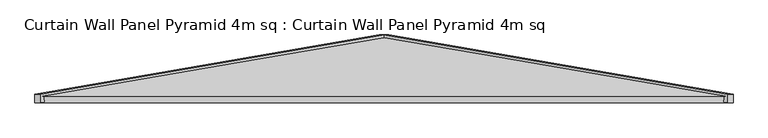
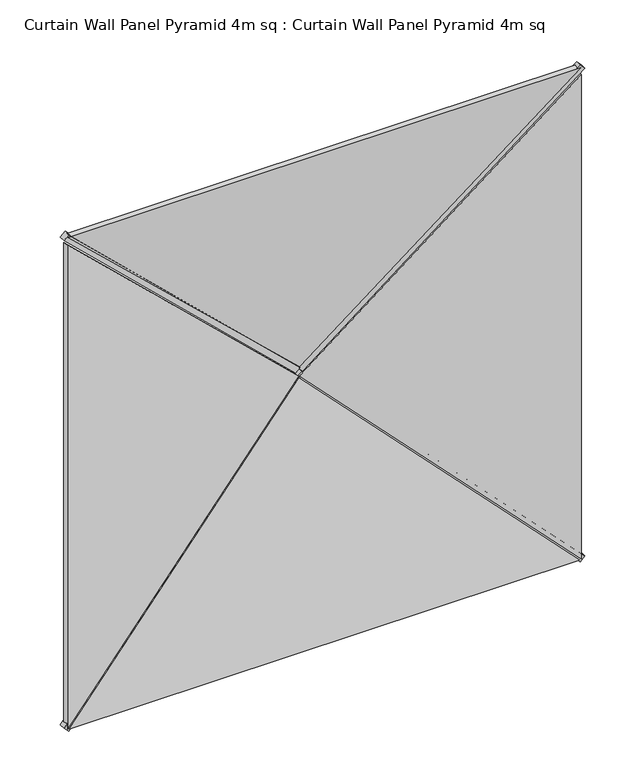
"""IFC4 building model written with IfcOpenShell, lengths in millimetres: plate geometry, Curtain Wall Panel Pyramid 4m sq : Curtain Wall Panel Pyramid 4m sq."""

from ifc_helpers import new_model, si_unit, frame, origin, place, context, project, spatial, polyline, outline, extrude, source, transform, mapped, element, save


def curtain_wall_panel_pyramid_4m_sq_curtain_wall_panel_pyramid_492a6223(model_context):
    return source(origin(), model_context, "Body", "SweptSolid", [
        extrude(outline(polyline([(-25.0, 0.0), (25.0, 0.0), (-319.5008531, -2828.2124727), (-369.5008531, -2828.2124727), (-25.0, 0.0)])), frame((1992.3223305, 25.0, -17.6776695), z_axis=(0.7071067811865489, 0.0, 0.7071067811865462), x_axis=(0.0, -1.0, 0.0)), (0.0, 0.0, 1.0), 50.0),
        extrude(outline(polyline([(-25.0, 0.0), (25.0, 0.0), (369.5008531, -2828.2124727), (319.5008531, -2828.2124727), (-25.0, 0.0)])), frame((-1992.3223305, 25.0, -17.6776695), z_axis=(-0.7071067811865475, 0.0, 0.7071067811865476), x_axis=(0.0, 1.0, 0.0)), (0.0, 0.0, 1.0), 50.0),
        extrude(outline(polyline([(-25.0, 0.0), (25.0, 0.0), (369.5008531, -2828.2124727), (319.5008531, -2828.2124727), (-25.0, 0.0)])), frame((-2027.6776695, 25.0, 4032.3223305), z_axis=(0.7071067811865488, 0.0, 0.7071067811865462), x_axis=(0.0, 1.0, 0.0)), (0.0, 0.0, 1.0), 50.0),
        extrude(outline(polyline([(-25.0, 0.0), (25.0, 0.0), (-319.5008531, -2828.2124727), (-369.5008531, -2828.2124727), (-25.0, 0.0)])), frame((2027.6776695, 25.0, 4032.3223305), z_axis=(-0.7071067811865472, 0.0, 0.7071067811865479), x_axis=(0.0, -1.0, 0.0)), (0.0, 0.0, 1.0), 50.0),
        extrude(outline(polyline([(1993.2098768, -1014.7271131), (-2.1709376, 1016.8143409), (3988.5906912, 1016.8143409), (1993.2098768, -1014.7271131)])), frame((1000.0, 172.8335872, 0.0), z_axis=(0.16975307948003834, 0.9854866270056859, 0.0), x_axis=(0.0, 0.0, 1.0)), (0.0, 0.0, 1.0), 40.0),
        extrude(outline(polyline([(0.0, -1014.7271131), (-1991.3928218, 1012.7540773), (1991.3928218, 1012.7540773), (0.0, -1014.7271131)])), frame((0.0, 212.2530523, 986.4197536), z_axis=(0.0, -0.9854866270056859, 0.16975307948003834), x_axis=(-1.0, 0.0, 0.0)), (0.0, 0.0, 1.0), 40.0),
        extrude(outline(polyline([(1993.2098768, 1014.7271131), (3986.6374086, -1014.8256606), (-0.217655, -1014.8256606), (1993.2098768, 1014.7271131)])), frame((-1000.0, 172.8335872, 0.0), z_axis=(-0.16975307948003834, 0.9854866270056859, 0.0), x_axis=(0.0, 0.0, 1.0)), (0.0, 0.0, 1.0), 40.0),
        extrude(outline(polyline([(1996.304868, -1017.8221042), (-1996.2959025, -1017.8221042), (2.4233431, 976.0594205), (1996.304868, -1017.8221042)])), frame((0.0, 172.8335872, 3043.2098768), z_axis=(0.0, 0.9854866270056859, 0.16975307948003832), x_axis=(1.0, 0.0, 0.0)), (0.0, 0.0, 1.0), 40.0),
    ])


if __name__ == "__main__":
    model = new_model("IFC4")
    model_context = context("Model", 3, world=origin())
    ifc_project = project(units=[si_unit("LENGTHUNIT", "METRE", prefix="MILLI")], contexts=[model_context])
    site = spatial("IfcSite", under=ifc_project)
    building = spatial("IfcBuilding", under=site)
    placement = place(None, origin())
    curtain_wall_panel_pyramid_4m_sq_curtain_wall_panel_pyramid_shape = curtain_wall_panel_pyramid_4m_sq_curtain_wall_panel_pyramid_492a6223(model_context)
    element("IfcPlate", 1, ObjectType="Curtain Wall Panel Pyramid 4m sq : Curtain Wall Panel Pyramid 4m sq", at=placement, inside=building, context=model_context, shape_type="MappedRepresentation", body=[
        mapped(curtain_wall_panel_pyramid_4m_sq_curtain_wall_panel_pyramid_shape, transform((0.0, 0.0, 0.0), x_axis=(1.0, 0.0, 0.0), y_axis=(0.0, 1.0, 0.0), z_axis=(0.0, 0.0, 1.0))),
    ])
    save(model, "model.ifc")
